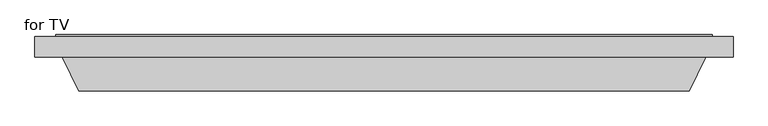
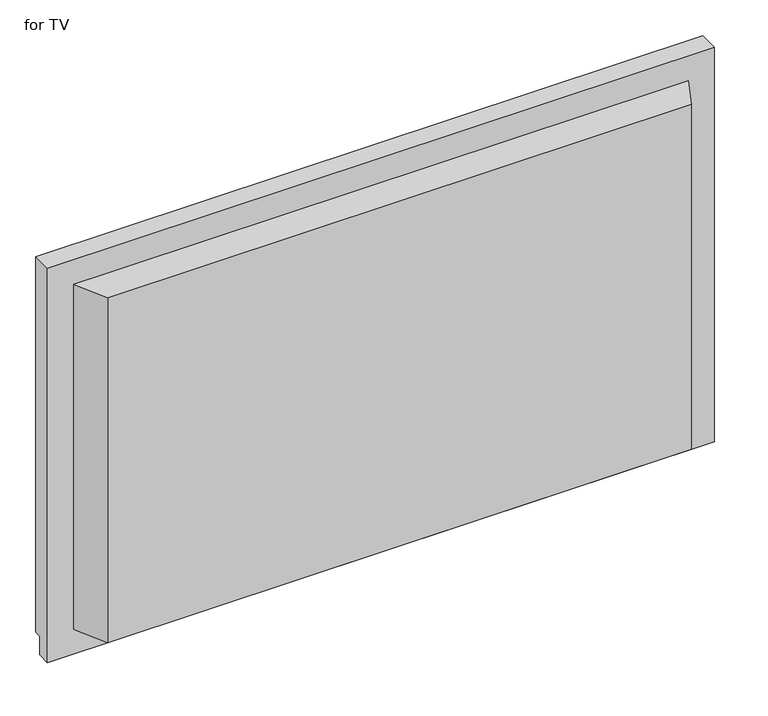
"""IFC4 building model written with IfcOpenShell, lengths in millimetres: proxy geometry, for TV."""

from ifc_helpers import new_model, si_unit, frame, origin, place, context, project, spatial, polyline, outline, extrude, faceted_brep, source, transform, mapped, element, save


def for_tv_123e1593(model_context):
    return source(origin(), model_context, "Body", "SolidModel", [
        faceted_brep([(-515.0, 134.4, 1800.0), (765.0, 134.4, 1800.0), (765.0, 172.5, 1800.0), (-515.0, 172.5, 1800.0), (765.0, 134.4, 1000.0), (-515.0, 134.4, 1000.0), (-515.0, 159.8, 1000.0), (765.0, 159.8, 1000.0), (765.0, 159.8, 1038.1), (765.0, 172.5, 1038.1), (-515.0, 172.5, 1038.1), (-476.9, 172.5, 1761.9), (-476.9, 172.5, 1076.2), (726.9, 172.5, 1076.2), (726.9, 172.5, 1761.9), (-515.0, 159.8, 1038.1), (-476.9, 157.7720413, 1761.9), (726.9, 157.7720413, 1761.9), (726.9, 157.7720413, 1076.2), (-476.9, 157.7720413, 1076.2)], [[[0, 1, 2, 3]], [[4, 5, 6, 7]], [[1, 0, 5, 4]], [[2, 1, 4, 7, 8, 9]], [[3, 2, 9, 10], [11, 12, 13, 14]], [[0, 3, 10, 15, 6, 5]], [[16, 17, 18, 19]], [[16, 19, 12, 11]], [[19, 18, 13, 12]], [[18, 17, 14, 13]], [[17, 16, 11, 14]], [[15, 8, 7, 6]], [[8, 15, 10, 9]]]),
        faceted_brep([(-461.025, 172.5, 1092.075), (-464.2, 175.675, 1088.9), (-464.2, 175.675, 1748.40625), (-461.025, 172.5, 1745.23125), (-464.2, 157.7720413, 1088.9), (-464.2, 172.5, 1088.9), (-464.2, 172.5, 1748.40625), (-464.2, 157.7720413, 1748.40625), (-476.9, 175.675, 1076.2), (-476.9, 157.7720413, 1076.2), (-476.9, 157.7720413, 1761.10625), (-476.9, 175.675, 1761.10625), (714.2, 175.675, 1748.40625), (711.025, 172.5, 1745.23125), (714.2, 172.5, 1748.40625), (714.2, 157.7720413, 1748.40625), (726.9, 157.7720413, 1761.10625), (726.9, 175.675, 1761.10625), (714.2, 175.675, 1088.9), (711.025, 172.5, 1092.075), (714.2, 172.5, 1088.9), (714.2, 157.7720413, 1088.9), (726.9, 157.7720413, 1076.2), (726.9, 175.675, 1076.2)], [[[0, 1, 2, 3]], [[4, 5, 6, 7]], [[8, 9, 10, 11]], [[3, 2, 12, 13]], [[7, 6, 14, 15]], [[11, 10, 16, 17]], [[13, 12, 18, 19]], [[15, 14, 20, 21]], [[17, 16, 22, 23]], [[11, 17, 23, 8], [1, 18, 12, 2]], [[19, 18, 1, 0]], [[5, 20, 14, 6], [3, 13, 19, 0]], [[21, 20, 5, 4]], [[9, 22, 16, 10], [7, 15, 21, 4]], [[23, 22, 9, 8]]]),
        extrude(outline(polyline([(-465.0, 172.5), (715.0, 172.5), (715.0, 157.7720413), (-465.0, 157.7720413), (-465.0, 172.5)])), frame((0.0, 0.0, 1088.9), z_axis=(0.0, 0.0, 1.0), x_axis=(1.0, 0.0, 0.0)), (0.0, 0.0, 1.0), 660.3),
        extrude(outline(polyline([(685.0, 72.5), (-435.0, 72.5), (-465.0, 134.4), (715.0, 134.4), (685.0, 72.5)])), frame((0.0, 0.0, 1050.0), z_axis=(0.0, 0.0, 1.0), x_axis=(1.0, 0.0, 0.0)), (0.0, 0.0, 1.0), 700.0),
    ])


if __name__ == "__main__":
    model = new_model("IFC4")
    model_context = context("Model", 3, world=origin())
    ifc_project = project(units=[si_unit("LENGTHUNIT", "METRE", prefix="MILLI")], contexts=[model_context])
    site = spatial("IfcSite", under=ifc_project)
    building = spatial("IfcBuilding", under=site)
    placement = place(None, origin())
    for_tv_shape = for_tv_123e1593(model_context)
    element("IfcBuildingElementProxy", 1, Name="for TV", ObjectType="for TV", at=placement, inside=building, context=model_context, shape_type="MappedRepresentation", body=[
        mapped(for_tv_shape, transform((0.0, 0.0, 0.0), x_axis=(1.0, 0.0, 0.0), y_axis=(0.0, 1.0, 0.0), z_axis=(0.0, 0.0, 1.0))),
    ])
    save(model, "model.ifc")
